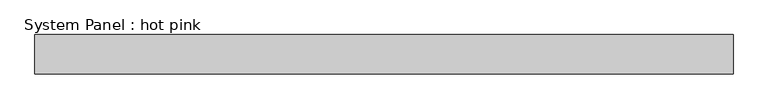
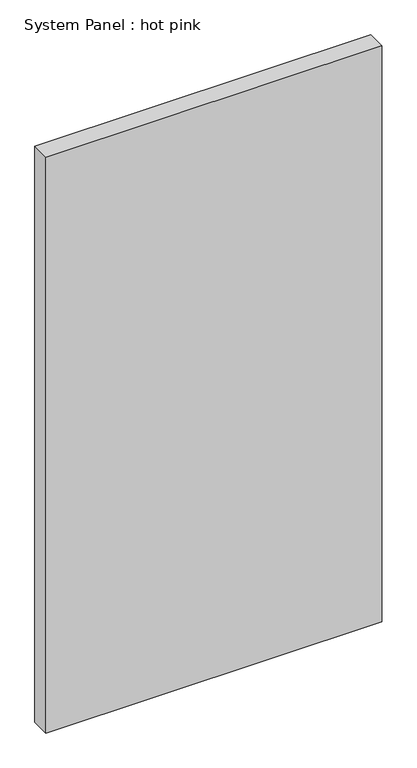
"""IFC4 building model written with IfcOpenShell, lengths in millimetres: plate geometry, System Panel : hot pink."""

import ifcopenshell
import ifcopenshell.guid

model = None  # the IFC model being written
_history = None  # IfcOwnerHistory: only IFC2X3 demands one
_inside = {}  # id of a spatial element -> (the spatial element, [elements in it])
_under = {}  # id of a project, library or spatial element -> (it, [spatial elements below it])
_declared = {}  # id of a project -> (the project, [libraries it declares])
_typed = {}  # id of a type object -> (the type object, [elements of that type])
_made_of = {}  # id of a material, layer set ... -> (it, [elements and type objects made of it])


def new_model(schema):
    """Start an empty IFC model of exactly this schema.

    Asked for "IFC4X3", IfcOpenShell would pick the latest addendum, in which some entities
    have other attributes; the version numbers below select the first issue.
    IFC2X3 requires an IfcOwnerHistory on every rooted entity: one is made here for all.
    """
    global model, _history
    if schema == "IFC4X3":
        model = ifcopenshell.file(schema_version=(4, 3, 0, 0))
    else:
        model = ifcopenshell.file(schema=schema)
    _inside.clear()
    _under.clear()
    _declared.clear()
    _typed.clear()
    _made_of.clear()
    _history = None
    if model.schema == "IFC2X3":
        org = make("IfcOrganization", Name="unknown")
        user = make(
            "IfcPersonAndOrganization",
            ThePerson=make("IfcPerson", FamilyName="unknown"),
            TheOrganization=org,
        )
        app = make(
            "IfcApplication",
            ApplicationDeveloper=org,
            Version="unknown",
            ApplicationFullName="unknown",
            ApplicationIdentifier="unknown",
        )
        _history = make(
            "IfcOwnerHistory",
            OwningUser=user,
            OwningApplication=app,
            ChangeAction="ADDED",
            CreationDate=0,
        )
    return model


def make(cls, **values):
    """One entity of the class cls with the attributes given. An attribute that is None is left unset."""
    return model.create_entity(
        cls, **{name: value for name, value in values.items() if value is not None}
    )


def rooted(cls, **values):
    """An entity with a GlobalId (a new one), such as an element, a storey or a relation."""
    return make(cls, GlobalId=ifcopenshell.guid.new(), OwnerHistory=_history, **values)


def si_unit(unit_type, name, prefix=None):
    """IfcSIUnit, for example si_unit("LENGTHUNIT", "METRE", prefix="MILLI")."""
    return make("IfcSIUnit", UnitType=unit_type, Prefix=prefix, Name=name)


def assignment(units):
    """IfcUnitAssignment: the units of a project."""
    return None if units is None else make("IfcUnitAssignment", Units=units)


def point(xyz):
    """IfcCartesianPoint."""
    return None if xyz is None else make("IfcCartesianPoint", Coordinates=xyz)


def direction(xyz):
    """IfcDirection."""
    return None if xyz is None else make("IfcDirection", DirectionRatios=xyz)


def frame(location, z_axis=None, x_axis=None):
    """IfcAxis2Placement3D, a coordinate frame: its origin and axes. An axis left out is left unset."""
    return make(
        "IfcAxis2Placement3D",
        Location=point(location),
        Axis=direction(z_axis),
        RefDirection=direction(x_axis),
    )


def origin():
    """The frame at (0, 0, 0) with its axes left unset."""
    return frame((0.0, 0.0, 0.0))


def origin_with_axes():
    """The frame at (0, 0, 0) with the z axis (0, 0, 1) and the x axis (1, 0, 0) written out."""
    return frame((0.0, 0.0, 0.0), z_axis=(0.0, 0.0, 1.0), x_axis=(1.0, 0.0, 0.0))


def place(relative_to, where):
    """IfcLocalPlacement: puts the frame where relative to a parent placement (None: the world)."""
    return make(
        "IfcLocalPlacement", PlacementRelTo=relative_to, RelativePlacement=where
    )


def context(
    kind, dimensions, precision=None, world=None, true_north=None, identifier=None
):
    """IfcGeometricRepresentationContext, for example the 3D "Model" context."""
    return make(
        "IfcGeometricRepresentationContext",
        ContextIdentifier=identifier,
        ContextType=kind,
        CoordinateSpaceDimension=dimensions,
        Precision=precision,
        WorldCoordinateSystem=world,
        TrueNorth=true_north,
    )


def project(units=None, contexts=None):
    """IfcProject with its units and contexts."""
    return rooted(
        "IfcProject",
        Name="project",
        RepresentationContexts=contexts,
        UnitsInContext=assignment(units),
    )


def spatial(cls, under=None, at=None, **own):
    """A site, building, storey or space (cls), placed at a placement, below another one or the project."""
    s = rooted(cls, ObjectPlacement=at, **own)
    if under is not None:
        _under.setdefault(under.id(), (under, []))[1].append(s)
    return s


def polyline(points):
    """IfcPolyline through the points."""
    return make("IfcPolyline", Points=[point(p) for p in points])


def outline(outer, holes=None, kind="AREA"):
    """IfcArbitraryClosedProfileDef: a profile drawn as a closed curve; with holes, ...WithVoids."""
    if holes is None:
        return make("IfcArbitraryClosedProfileDef", ProfileType=kind, OuterCurve=outer)
    return make(
        "IfcArbitraryProfileDefWithVoids",
        ProfileType=kind,
        OuterCurve=outer,
        InnerCurves=holes,
    )


def extrude(swept, where, along, depth):
    """IfcExtrudedAreaSolid: the profile swept, set in the frame where, extruded along a direction by depth."""
    return make(
        "IfcExtrudedAreaSolid",
        SweptArea=swept,
        Position=where,
        ExtrudedDirection=direction(along),
        Depth=depth,
    )


def shape(context_of_items, identifier, shape_type, items):
    """IfcShapeRepresentation: the items that make up one representation, for example the "Body"."""
    return make(
        "IfcShapeRepresentation",
        ContextOfItems=context_of_items,
        RepresentationIdentifier=identifier,
        RepresentationType=shape_type,
        Items=items,
    )


def source(mapping_origin, context_of_items, identifier, shape_type, items):
    """IfcRepresentationMap: a shape defined once, which mapped items show again and again."""
    return make(
        "IfcRepresentationMap",
        MappingOrigin=mapping_origin,
        MappedRepresentation=shape(context_of_items, identifier, shape_type, items),
    )


def transform(
    local_origin,
    x_axis=None,
    y_axis=None,
    z_axis=None,
    scale=None,
    scale2=None,
    scale3=None,
    uniform=True,
):
    """IfcCartesianTransformationOperator3D, or its non-uniform kind. x_axis, y_axis, z_axis: its Axis1, 2, 3."""
    if uniform:
        return make(
            "IfcCartesianTransformationOperator3D",
            Axis1=direction(x_axis),
            Axis2=direction(y_axis),
            LocalOrigin=point(local_origin),
            Scale=scale,
            Axis3=direction(z_axis),
        )
    return make(
        "IfcCartesianTransformationOperator3DnonUniform",
        Axis1=direction(x_axis),
        Axis2=direction(y_axis),
        LocalOrigin=point(local_origin),
        Scale=scale,
        Axis3=direction(z_axis),
        Scale2=scale2,
        Scale3=scale3,
    )


def mapped(mapping_source, mapping_target):
    """IfcMappedItem: shows the shape of a source again, moved by a transform."""
    return make(
        "IfcMappedItem", MappingSource=mapping_source, MappingTarget=mapping_target
    )


def made_of(thing, what):
    """Note that an element or type object is made of a material, layer set ...; save() writes the relation."""
    if what is not None:
        _made_of.setdefault(what.id(), (what, []))[1].append(thing)
    return thing


def element(
    cls,
    number,
    at=None,
    inside=None,
    cuts=None,
    type_object=None,
    material=None,
    context=None,
    identifier="Body",
    shape_type=None,
    held_by="IfcProductDefinitionShape",
    body=None,
    shapes=None,
    **own,
):
    """One element of the class cls, such as IfcWall. Its Tag is "e" and its number.

    at: its placement. inside: the storey or other place that contains it. cuts: it is an
    opening in that element (IfcRelVoidsElement). A single representation is given by context,
    identifier, shape_type and body (its items); several are given by shapes. held_by: the class
    of the entity that holds the representations. save() writes the other relations.
    """
    e = rooted(cls, Tag="e%d" % number, ObjectPlacement=at, **own)
    if body is not None:
        shapes = [shape(context, identifier, shape_type, body)]
    if shapes is not None:
        e.Representation = make(held_by, Representations=shapes)
    if inside is not None:
        _inside.setdefault(inside.id(), (inside, []))[1].append(e)
    if cuts is not None:
        rooted(
            "IfcRelVoidsElement", RelatingBuildingElement=cuts, RelatedOpeningElement=e
        )
    if type_object is not None:
        _typed.setdefault(type_object.id(), (type_object, []))[1].append(e)
    return made_of(e, material)


def aggregate(whole, parts):
    """IfcRelAggregates: a whole, such as a stair, and the parts it consists of."""
    return rooted("IfcRelAggregates", RelatingObject=whole, RelatedObjects=parts)


def save(model, path):
    """Write the relations noted so far, then the file.

    IfcRelAggregates (storeys below a building ...), IfcRelContainedInSpatialStructure (elements
    in a storey), IfcRelDefinesByType, IfcRelAssociatesMaterial and IfcRelDeclares: one each for
    every whole, place, type object, material and project.
    """
    for whole, parts in _under.values():
        aggregate(whole, parts)
    for where, things in _inside.values():
        rooted(
            "IfcRelContainedInSpatialStructure",
            RelatedElements=things,
            RelatingStructure=where,
        )
    for kind, things in _typed.values():
        rooted("IfcRelDefinesByType", RelatedObjects=things, RelatingType=kind)
    for what, things in _made_of.values():
        rooted("IfcRelAssociatesMaterial", RelatedObjects=things, RelatingMaterial=what)
    for by, libraries in _declared.values():
        rooted("IfcRelDeclares", RelatingContext=by, RelatedDefinitions=libraries)
    model.write(path)


def system_panel_hot_pink_bac92664(model_context):
    return source(origin(), model_context, "Body", "SweptSolid", [
        extrude(outline(polyline([(561.975, -44.45), (-561.975, -44.45), (-561.975, 19.05), (561.975, 19.05), (561.975, -44.45)])), origin_with_axes(), (0.0, 0.0, 1.0), 2038.35),
    ])


if __name__ == "__main__":
    model = new_model("IFC4")
    model_context = context("Model", 3, world=origin())
    ifc_project = project(units=[si_unit("LENGTHUNIT", "METRE", prefix="MILLI")], contexts=[model_context])
    site = spatial("IfcSite", under=ifc_project)
    building = spatial("IfcBuilding", under=site)
    placement = place(None, origin())
    system_panel_hot_pink_shape = system_panel_hot_pink_bac92664(model_context)
    element("IfcPlate", 1, ObjectType="System Panel : hot pink", at=placement, inside=building, context=model_context, shape_type="MappedRepresentation", body=[
        mapped(system_panel_hot_pink_shape, transform((0.0, 0.0, 0.0), x_axis=(1.0, 0.0, 0.0), y_axis=(0.0, 1.0, 0.0), z_axis=(0.0, 0.0, 1.0))),
    ])
    save(model, "model.ifc")
